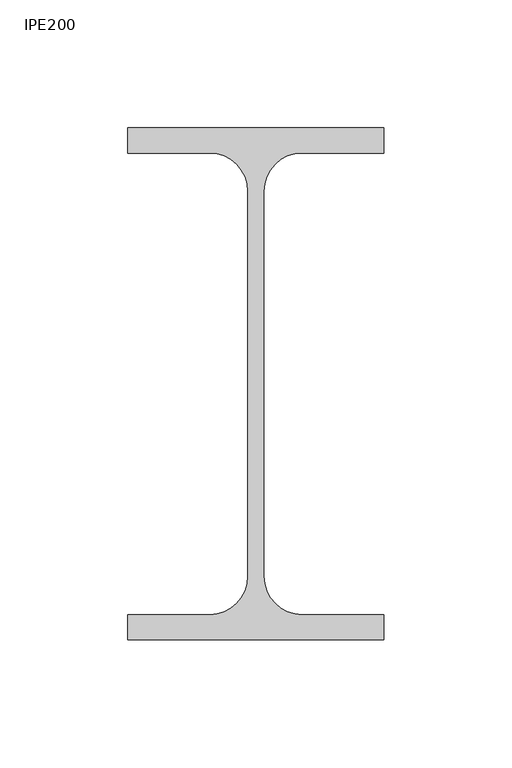
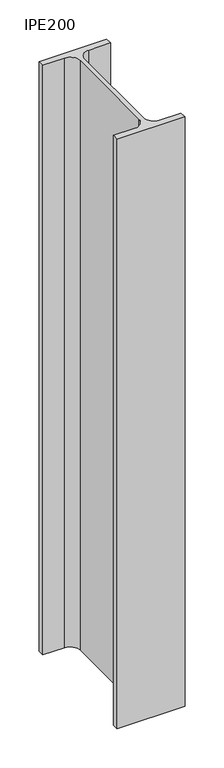
"""IFC4 building model written with IfcOpenShell, lengths in millimetres: column geometry, IPE200."""

from ifc_helpers import new_model, si_unit, point, frame, frame_2d, origin, place, context, project, spatial, polyline, circle_curve, trimmed, segment, composite_curve, outline, extrude, source, transform, mapped, element, save


def ipe200_fca3ebd8(model_context):
    return source(origin(), model_context, "Body", "SweptSolid", [
        extrude(outline(composite_curve([segment(polyline([(50.0, 100.0), (50.0, 90.2), (18.1, 90.2)]), True, "CONTINUOUS"), segment(trimmed(circle_curve(frame_2d((18.1, 75.2)), 15.0), [point((18.1, 90.2))], [point((3.1, 75.2))], True, "CARTESIAN"), True, "CONTINUOUS"), segment(polyline([(3.1, 75.2), (3.1, -75.2)]), True, "CONTINUOUS"), segment(trimmed(circle_curve(frame_2d((18.1, -75.2)), 15.0), [point((3.1, -75.2))], [point((18.1, -90.2))], True, "CARTESIAN"), True, "CONTINUOUS"), segment(polyline([(18.1, -90.2), (50.0, -90.2), (50.0, -100.0), (-50.0, -100.0), (-50.0, -90.2), (-18.1, -90.2)]), True, "CONTINUOUS"), segment(trimmed(circle_curve(frame_2d((-18.1, -75.2)), 15.0), [point((-18.1, -90.2))], [point((-3.1, -75.2))], True, "CARTESIAN"), True, "CONTINUOUS"), segment(polyline([(-3.1, -75.2), (-3.1, 75.2)]), True, "CONTINUOUS"), segment(trimmed(circle_curve(frame_2d((-18.1, 75.2)), 15.0), [point((-3.1, 75.2))], [point((-18.1, 90.2))], True, "CARTESIAN"), True, "CONTINUOUS"), segment(polyline([(-18.1, 90.2), (-50.0, 90.2), (-50.0, 100.0), (50.0, 100.0)]), True, "CONTINUOUS")], self_intersect=False)), frame((0.0, 0.0, 9380.0), z_axis=(0.0, 0.0, 1.0), x_axis=(1.0, 0.0, 0.0)), (0.0, 0.0, 1.0), 920.0),
    ])


if __name__ == "__main__":
    model = new_model("IFC4")
    model_context = context("Model", 3, world=origin())
    ifc_project = project(units=[si_unit("LENGTHUNIT", "METRE", prefix="MILLI")], contexts=[model_context])
    site = spatial("IfcSite", under=ifc_project)
    building = spatial("IfcBuilding", under=site)
    placement = place(None, origin())
    ipe200_shape = ipe200_fca3ebd8(model_context)
    element("IfcColumn", 1, ObjectType="IPE200", at=placement, inside=building, context=model_context, shape_type="MappedRepresentation", body=[
        mapped(ipe200_shape, transform((0.0, 0.0, 0.0), x_axis=(1.0, 0.0, 0.0), y_axis=(0.0, 1.0, 0.0), z_axis=(0.0, 0.0, 1.0))),
    ])
    save(model, "model.ifc")
